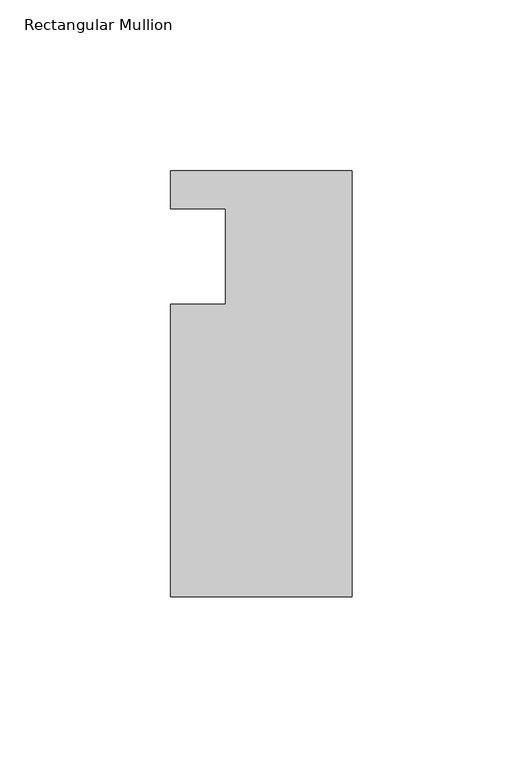
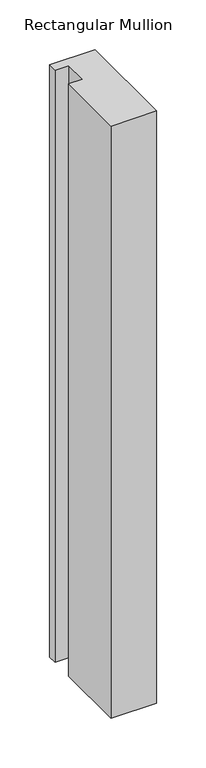
"""IFC4 building model written with IfcOpenShell, lengths in millimetres: member geometry, Rectangular Mullion."""

from ifc_helpers import new_model, si_unit, frame, origin, place, context, project, spatial, polyline, outline, extrude, source, transform, mapped, element, save


def rectangular_mullion_5cd2ac2f(model_context):
    return source(origin(), model_context, "Body", "SweptSolid", [
        extrude(outline(polyline([(0.0, 25.0), (0.0, -99.5), (-53.0, -99.5), (-53.0, -14.0), (-37.0, -14.0), (-37.0, 14.0), (-53.0, 14.0), (-53.0, 25.0), (0.0, 25.0)])), frame((0.0, 0.0, -729.0936625), z_axis=(0.0, 0.0, 1.0), x_axis=(1.0, 0.0, 0.0)), (0.0, 0.0, 1.0), 729.0936625),
    ])


if __name__ == "__main__":
    model = new_model("IFC4")
    model_context = context("Model", 3, world=origin())
    ifc_project = project(units=[si_unit("LENGTHUNIT", "METRE", prefix="MILLI")], contexts=[model_context])
    site = spatial("IfcSite", under=ifc_project)
    building = spatial("IfcBuilding", under=site)
    placement = place(None, origin())
    rectangular_mullion_shape = rectangular_mullion_5cd2ac2f(model_context)
    element("IfcMember", 1, ObjectType="Rectangular Mullion", at=placement, inside=building, context=model_context, shape_type="MappedRepresentation", body=[
        mapped(rectangular_mullion_shape, transform((0.0, 0.0, 0.0), x_axis=(1.0, 0.0, 0.0), y_axis=(0.0, 1.0, 0.0), z_axis=(0.0, 0.0, 1.0))),
    ])
    save(model, "model.ifc")
